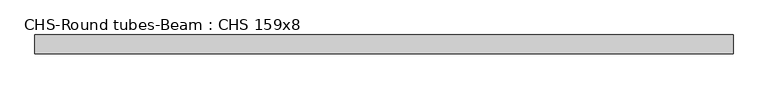
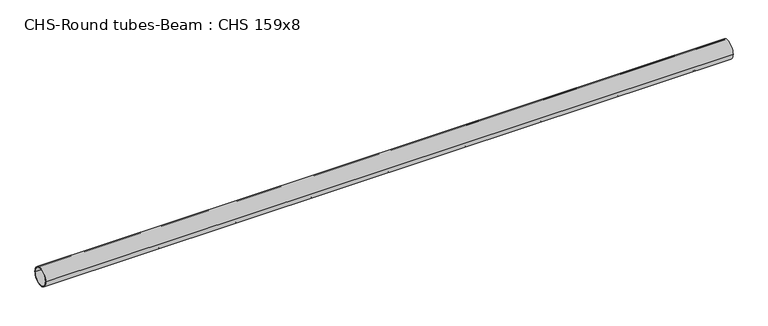
"""IFC4 building model written with IfcOpenShell, lengths in millimetres: beam geometry, CHS-Round tubes-Beam : CHS 159x8."""

from ifc_helpers import new_model, si_unit, point, frame, origin, origin_2d, place, context, project, spatial, circle_curve, trimmed, segment, composite_curve, outline, extrude, source, transform, mapped, element, save


def chs_round_tubes_beam_chs_159x8_0e4da9f8(model_context):
    return source(origin(), model_context, "Body", "SweptSolid", [
        extrude(outline(composite_curve([segment(trimmed(circle_curve(origin_2d(), 79.5), [point((79.5, 0.0))], [point((-79.5, 0.0))], False, "CARTESIAN"), True, "CONTINUOUS"), segment(trimmed(circle_curve(origin_2d(), 79.5), [point((-79.5, 0.0))], [point((79.5, 0.0))], False, "CARTESIAN"), True, "CONTINUOUS")], self_intersect=False), holes=[composite_curve([segment(trimmed(circle_curve(origin_2d(), 71.5), [point((71.5, 0.0))], [point((-71.5, 0.0))], True, "CARTESIAN"), True, "CONTINUOUS"), segment(trimmed(circle_curve(origin_2d(), 71.5), [point((-71.5, 0.0))], [point((71.5, 0.0))], True, "CARTESIAN"), True, "CONTINUOUS")], self_intersect=False)]), frame((-2941.3536107, 0.0, 0.0), z_axis=(1.0, 0.0, 0.0), x_axis=(0.0, 1.0, 0.0)), (0.0, 0.0, 1.0), 5882.7072215),
    ])


if __name__ == "__main__":
    model = new_model("IFC4")
    model_context = context("Model", 3, world=origin())
    ifc_project = project(units=[si_unit("LENGTHUNIT", "METRE", prefix="MILLI")], contexts=[model_context])
    site = spatial("IfcSite", under=ifc_project)
    building = spatial("IfcBuilding", under=site)
    placement = place(None, origin())
    chs_round_tubes_beam_chs_159x8_shape = chs_round_tubes_beam_chs_159x8_0e4da9f8(model_context)
    element("IfcBeam", 1, ObjectType="CHS-Round tubes-Beam : CHS 159x8", at=placement, inside=building, context=model_context, shape_type="MappedRepresentation", body=[
        mapped(chs_round_tubes_beam_chs_159x8_shape, transform((0.0, 0.0, 0.0), x_axis=(1.0, 0.0, 0.0), y_axis=(0.0, 1.0, 0.0), z_axis=(0.0, 0.0, 1.0))),
    ])
    save(model, "model.ifc")
